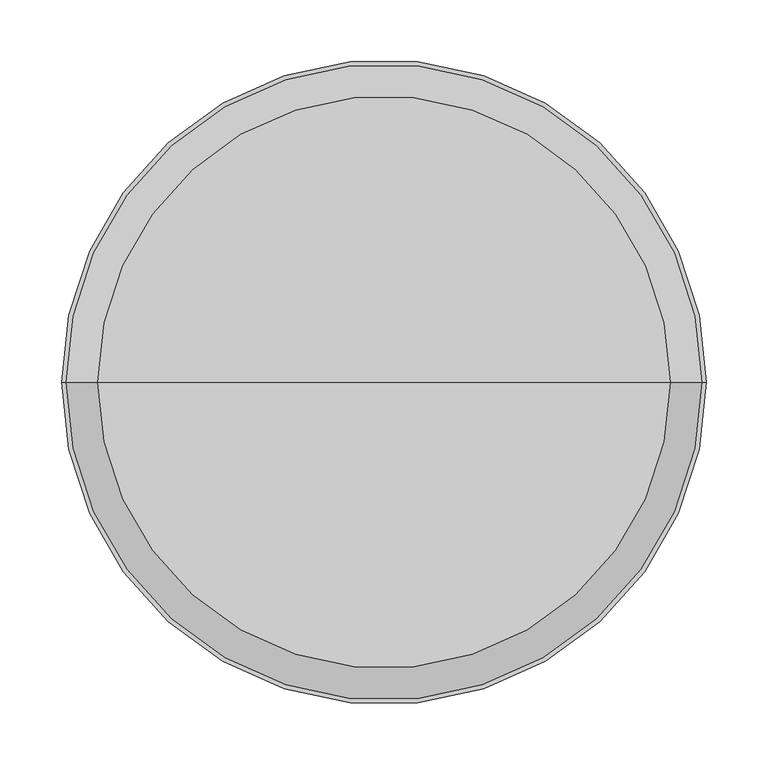
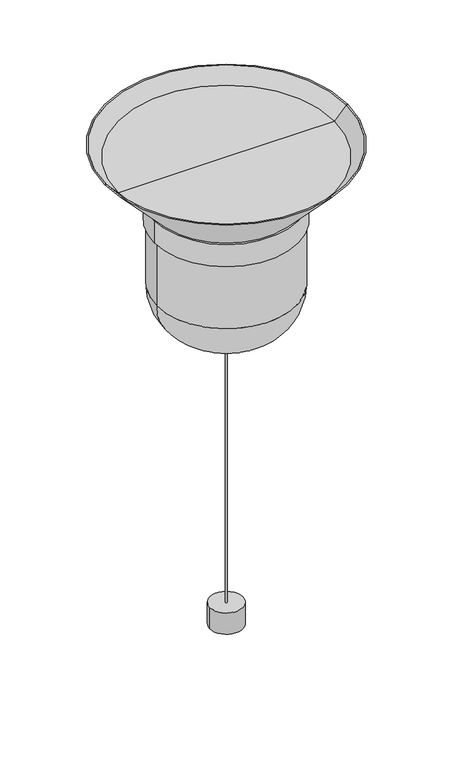
"""IFC4 building model written with IfcOpenShell, lengths in millimetres: light fixture geometry."""

from ifc_helpers import new_model, si_unit, point, frame, origin, origin_with_axes, origin_2d, place, context, project, spatial, polyline, circle_curve, ellipse_curve, trimmed, segment, composite_curve, outline, extrude, source, transform, mapped, element, save
from ifc_brep_helpers import plane_surface, cylinder_surface, revolved_surface, advanced_brep


def light_fixture_9a85915e(model_context):
    return source(origin(), model_context, "Body", "SolidModel", [
        advanced_brep(
        [(0.0, 0.0, 964.2490626), (-149.2336953, 0.0, 964.2490626), (149.2336953, 0.0, 964.2490626), (260.0027344, 0.0, 1082.6921875), (-260.0027344, 0.0, 1082.6921875), (-256.8708674, 0.0, 1082.6921875), (256.8708674, 0.0, 1082.6921875), (230.9458823, 0.0, 1054.9711178), (-230.9458823, 0.0, 1054.9711178), (0.0, 0.0, 1054.9711178)],
        [
            (0, 1),
            (1, 2, circle_curve(frame((0.0, 0.0, 964.2490626), z_axis=(0.0, 0.0, -1.0), x_axis=(-1.0, 0.0, 0.0)), 149.2336953)),
            (2, 0),
            (2, 1, circle_curve(frame((0.0, 0.0, 964.2490626), z_axis=(0.0, 0.0, -1.0), x_axis=(-1.0, 0.0, 0.0)), 149.2336953)),
            (3, 4, circle_curve(frame((0.0, 0.0, 1082.6921875), z_axis=(0.0, 0.0, 1.0), x_axis=(-1.0, 0.0, 0.0)), 260.0027344)),
            (4, 5),
            (5, 6, circle_curve(frame((0.0, 0.0, 1082.6921875), z_axis=(0.0, 0.0, -1.0), x_axis=(-1.0, 0.0, 0.0)), 256.8708674)),
            (6, 3),
            (4, 3, circle_curve(frame((0.0, 0.0, 1082.6921875), z_axis=(0.0, 0.0, 1.0), x_axis=(-1.0, 0.0, 0.0)), 260.0027344)),
            (6, 5, circle_curve(frame((0.0, 0.0, 1082.6921875), z_axis=(0.0, 0.0, -1.0), x_axis=(-1.0, 0.0, 0.0)), 256.8708674)),
            (1, 4),
            (3, 2),
            (7, 8, circle_curve(frame((0.0, 0.0, 1054.9711178), z_axis=(0.0, 0.0, 1.0), x_axis=(-1.0, 0.0, 0.0)), 230.9458823)),
            (8, 9),
            (9, 7),
            (8, 7, circle_curve(frame((0.0, 0.0, 1054.9711178), z_axis=(0.0, 0.0, 1.0), x_axis=(-1.0, 0.0, 0.0)), 230.9458823)),
            (5, 8),
            (7, 6),
        ],
        [
            plane_surface(frame((0.0, 0.0, 964.2490626), z_axis=(0.0, 0.0, -1.0), x_axis=(-1.0, 0.0, 0.0))),
            plane_surface(frame((0.0, 0.0, 1082.6921875), z_axis=(0.0, 0.0, 1.0), x_axis=(-1.0, 0.0, 0.0))),
            revolved_surface(polyline([(-260.0027344, 0.0, 1082.6921875), (-149.2336953, 0.0, 964.2490626)]), (0.0, 0.0, 1260.4921875), (0.0, 0.0, -1.0)),
            plane_surface(frame((0.0, 0.0, 1054.9711178), z_axis=(0.0, 0.0, 1.0), x_axis=(-1.0, 0.0, 0.0))),
            revolved_surface(polyline([(-230.9458823, 0.0, 1054.9711178), (-256.8708674, 0.0, 1082.6921875)]), (0.0, 0.0, 1260.4921875), (0.0, 0.0, -1.0)),
        ],
        [
            (0, [[1, 2, 3]]),
            (0, [[-3, 4, -1]]),
            (1, [[5, 6, 7, 8]]),
            (1, [[9, -8, 10, -6]]),
            (2, [[-2, 11, -5, 12]]),
            (2, [[-4, -12, -9, -11]]),
            (3, [[13, 14, 15]]),
            (3, [[16, -15, -14]]),
            (4, [[-7, 17, -13, 18]]),
            (4, [[-10, -18, -16, -17]]),
        ],
    ),
        advanced_brep(
        [(0.0, 0.0, 914.2490626), (-153.7586703, 0.0, 914.2490626), (153.7586703, 0.0, 914.2490626), (153.7586703, 0.0, 964.2490626), (-153.7586703, 0.0, 964.2490626), (0.0, 0.0, 964.2490626)],
        [
            (0, 1),
            (1, 2, circle_curve(frame((0.0, 0.0, 914.2490626), z_axis=(0.0, 0.0, -1.0), x_axis=(-1.0, 0.0, 0.0)), 153.7586703)),
            (2, 0),
            (2, 1, circle_curve(frame((0.0, 0.0, 914.2490626), z_axis=(0.0, 0.0, -1.0), x_axis=(-1.0, 0.0, 0.0)), 153.7586703)),
            (3, 4, circle_curve(frame((0.0, 0.0, 964.2490626), z_axis=(0.0, 0.0, 1.0), x_axis=(-1.0, 0.0, 0.0)), 153.7586703)),
            (4, 5),
            (5, 3),
            (4, 3, circle_curve(frame((0.0, 0.0, 964.2490626), z_axis=(0.0, 0.0, 1.0), x_axis=(-1.0, 0.0, 0.0)), 153.7586703)),
            (1, 4),
            (3, 2),
        ],
        [
            plane_surface(frame((0.0, 0.0, 914.2490626), z_axis=(0.0, 0.0, -1.0), x_axis=(-1.0, 0.0, 0.0))),
            plane_surface(frame((0.0, 0.0, 964.2490626), z_axis=(0.0, 0.0, 1.0), x_axis=(-1.0, 0.0, 0.0))),
            cylinder_surface(frame((0.0, 0.0, 1015.0490626), z_axis=(0.0, 0.0, -1.0), x_axis=(-1.0, 0.0, 0.0)), 153.7586703),
        ],
        [
            (0, [[1, 2, 3]]),
            (0, [[-3, 4, -1]]),
            (1, [[5, 6, 7]]),
            (1, [[8, -7, -6]]),
            (2, [[-2, 9, -5, 10]]),
            (2, [[-4, -10, -8, -9]]),
        ],
    ),
        advanced_brep(
        [(41.2836953, 0.0, 662.6), (-41.2836953, 0.0, 662.6), (-149.2336953, 0.0, 770.55), (149.2336953, 0.0, 770.55), (0.0, 0.0, 662.6), (149.2336953, 0.0, 914.2490626), (-149.2336953, 0.0, 914.2490626), (0.0, 0.0, 914.2490626)],
        [
            (0, 1, circle_curve(frame((0.0, 0.0, 662.6), z_axis=(0.0, 0.0, 1.0), x_axis=(-1.0, 0.0, 0.0)), 41.2836953)),
            (1, 2, circle_curve(frame((-41.2836953, 0.0, 770.55), z_axis=(0.0, 1.0, 0.0), x_axis=(1.0, 0.0, 0.0)), 107.95)),
            (2, 3, circle_curve(frame((0.0, 0.0, 770.55), z_axis=(0.0, 0.0, -1.0), x_axis=(-1.0, 0.0, 0.0)), 149.2336953)),
            (3, 0, circle_curve(frame((41.2836953, 0.0, 770.55), z_axis=(0.0, 1.0, 0.0), x_axis=(-1.0, 0.0, 0.0)), 107.95)),
            (1, 0, circle_curve(frame((0.0, 0.0, 662.6), z_axis=(0.0, 0.0, 1.0), x_axis=(-1.0, 0.0, 0.0)), 41.2836953)),
            (3, 2, circle_curve(frame((0.0, 0.0, 770.55), z_axis=(0.0, 0.0, -1.0), x_axis=(-1.0, 0.0, 0.0)), 149.2336953)),
            (4, 1),
            (0, 4),
            (5, 6, circle_curve(frame((0.0, 0.0, 914.2490626), z_axis=(0.0, 0.0, 1.0), x_axis=(-1.0, 0.0, 0.0)), 149.2336953)),
            (6, 7),
            (7, 5),
            (6, 5, circle_curve(frame((0.0, 0.0, 914.2490626), z_axis=(0.0, 0.0, 1.0), x_axis=(-1.0, 0.0, 0.0)), 149.2336953)),
            (2, 6),
            (5, 3),
        ],
        [
            revolved_surface(trimmed(ellipse_curve(frame((-41.2836953, 0.0, 770.55), z_axis=(0.0, -1.0, 0.0), x_axis=(1.0, 0.0, 0.0)), 107.95, 107.95), [point((-149.2336953, 0.0, 770.55))], [point((-41.2836953, 0.0, 662.6))], True, "CARTESIAN"), (0.0, 0.0, 1142.8490626), (0.0, 0.0, -1.0)),
            plane_surface(frame((0.0, 0.0, 662.6), z_axis=(0.0, 0.0, -1.0), x_axis=(-1.0, 0.0, 0.0))),
            plane_surface(frame((0.0, 0.0, 914.2490626), z_axis=(0.0, 0.0, 1.0), x_axis=(-1.0, 0.0, 0.0))),
            cylinder_surface(frame((0.0, 0.0, 1142.8490626), z_axis=(0.0, 0.0, -1.0), x_axis=(-1.0, 0.0, 0.0)), 149.2336953),
        ],
        [
            (0, [[1, 2, 3, 4]]),
            (0, [[5, -4, 6, -2]]),
            (1, [[7, -1, 8]]),
            (1, [[-8, -5, -7]]),
            (2, [[9, 10, 11]]),
            (2, [[12, -11, -10]]),
            (3, [[-3, 13, -9, 14]]),
            (3, [[-6, -14, -12, -13]]),
        ],
    ),
        extrude(outline(composite_curve([segment(trimmed(circle_curve(origin_2d(), 2.0133063), [point((-2.0133063, 0.0))], [point((2.0133063, 0.0))], False, "CARTESIAN"), True, "CONTINUOUS"), segment(trimmed(circle_curve(origin_2d(), 2.0133063), [point((2.0133063, 0.0))], [point((-2.0133063, 0.0))], False, "CARTESIAN"), True, "CONTINUOUS")], self_intersect=False)), frame((0.0, 0.0, 48.0), z_axis=(0.0, 0.0, 1.0), x_axis=(1.0, 0.0, 0.0)), (0.0, 0.0, 1.0), 609.6),
        extrude(outline(composite_curve([segment(trimmed(circle_curve(origin_2d(), 42.5), [point((-42.5, 0.0))], [point((42.5, 0.0))], False, "CARTESIAN"), True, "CONTINUOUS"), segment(trimmed(circle_curve(origin_2d(), 42.5), [point((42.5, 0.0))], [point((-42.5, 0.0))], False, "CARTESIAN"), True, "CONTINUOUS")], self_intersect=False)), frame((0.0, 0.0, 657.6), z_axis=(0.0, 0.0, 1.0), x_axis=(1.0, 0.0, 0.0)), (0.0, 0.0, 1.0), 5.0),
        extrude(outline(composite_curve([segment(trimmed(circle_curve(origin_2d(), 35.0), [point((-35.0, 0.0))], [point((35.0, 0.0))], False, "CARTESIAN"), True, "CONTINUOUS"), segment(trimmed(circle_curve(origin_2d(), 35.0), [point((35.0, 0.0))], [point((-35.0, 0.0))], False, "CARTESIAN"), True, "CONTINUOUS")], self_intersect=False)), origin_with_axes(), (0.0, 0.0, 1.0), 48.0),
    ])


if __name__ == "__main__":
    model = new_model("IFC4")
    model_context = context("Model", 3, world=origin())
    ifc_project = project(units=[si_unit("LENGTHUNIT", "METRE", prefix="MILLI")], contexts=[model_context])
    site = spatial("IfcSite", under=ifc_project)
    building = spatial("IfcBuilding", under=site)
    placement = place(None, origin())
    light_fixture_shape = light_fixture_9a85915e(model_context)
    element("IfcLightFixture", 1, at=placement, inside=building, context=model_context, shape_type="MappedRepresentation", body=[
        mapped(light_fixture_shape, transform((0.0, 0.0, 0.0), x_axis=(1.0, 0.0, 0.0), y_axis=(0.0, 1.0, 0.0), z_axis=(0.0, 0.0, 1.0))),
    ])
    save(model, "model.ifc")
